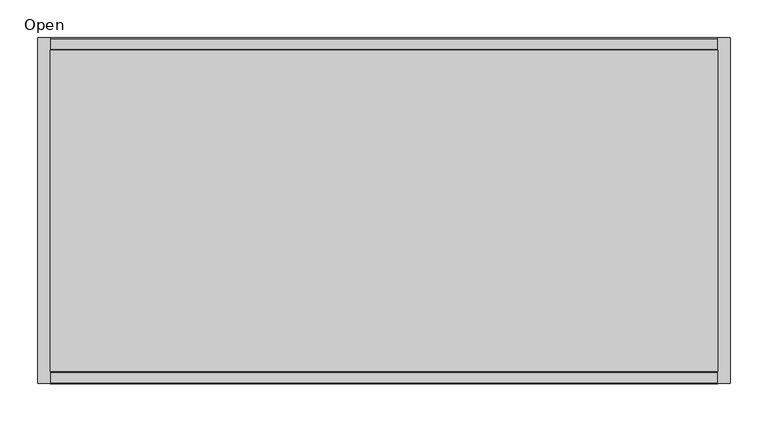
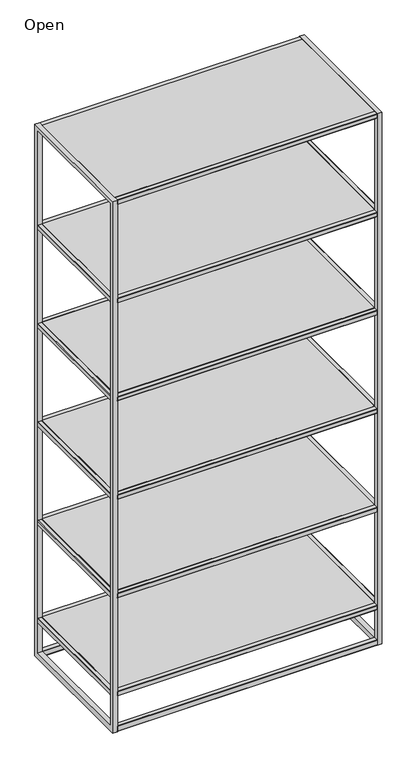
"""IFC4 building model written with IfcOpenShell, lengths in millimetres: furniture geometry, Open."""

from ifc_helpers import new_model, si_unit, frame, origin, place, context, project, spatial, polyline, outline, extrude, source, transform, mapped, element, save


def open_edddc9b3(model_context):
    return source(origin(), model_context, "Body", "SweptSolid", [
        extrude(outline(polyline([(-1.778, 1.3619377), (-3.1399377, 0.0), (-16.3996092, 0.0), (-18.034, 1.7657197), (-18.034, 17.9909329), (-16.3996092, 19.6253237), (-3.1399377, 19.6253237), (-1.778, 18.263386), (-1.778, 1.3619377)])), frame((16.1568429, 0.0, 0.0), z_axis=(1.0, 0.0, 0.0), x_axis=(0.0, 1.0, 0.0)), (0.0, 0.0, 1.0), 881.9871571),
        extrude(outline(polyline([(-458.978, 1.2971853), (-458.978, 18.3281384), (-457.6808147, 19.6253237), (-444.4211432, 19.6253237), (-442.7867523, 17.9909329), (-442.7867523, 1.7657197), (-444.4211432, 0.0), (-457.6808147, 0.0), (-458.978, 1.2971853)])), frame((16.1568429, 0.0, 0.0), z_axis=(1.0, 0.0, 0.0), x_axis=(0.0, 1.0, 0.0)), (0.0, 0.0, 1.0), 881.9871571),
        extrude(outline(polyline([(141.8726576, 0.0), (128.8872913, 0.0), (127.5025281, 1.3847632), (127.5025281, 14.7274123), (128.7608398, 16.1568429), (142.0391534, 16.1568429), (143.5462254, 14.4449861), (143.5462254, 1.6735678), (141.8726576, 0.0)])), frame((0.0, -442.7867523, 0.0), z_axis=(0.0, 1.0, 0.0), x_axis=(0.0, 0.0, 1.0)), (0.0, 0.0, 1.0), 424.7527523),
        extrude(outline(polyline([(141.7735005, 914.4), (143.5462254, 912.6272751), (143.5462254, 899.8558568), (142.0391534, 898.144), (128.7608398, 898.144), (127.5025281, 899.5734306), (127.5025281, 912.9160797), (128.9864484, 914.4), (141.7735005, 914.4)])), frame((0.0, -442.7867523, 0.0), z_axis=(0.0, 1.0, 0.0), x_axis=(0.0, 0.0, 1.0)), (0.0, 0.0, 1.0), 424.7527523),
        extrude(outline(polyline([(492.6521114, 0.0), (479.666745, 0.0), (478.282, 1.384745), (478.282, 14.7274329), (479.5402936, 16.1568429), (492.8186071, 16.1568429), (494.3256791, 14.4449861), (494.3256791, 1.6735678), (492.6521114, 0.0)])), frame((0.0, -442.7867523, 0.0), z_axis=(0.0, 1.0, 0.0), x_axis=(0.0, 0.0, 1.0)), (0.0, 0.0, 1.0), 424.7527523),
        extrude(outline(polyline([(492.5529543, 914.4), (494.3256791, 912.6272751), (494.3256791, 899.8558568), (492.8186071, 898.144), (479.5402936, 898.144), (478.282, 899.57341), (478.282, 912.9160979), (479.7659021, 914.4), (492.5529543, 914.4)])), frame((0.0, -442.7867523, 0.0), z_axis=(0.0, 1.0, 0.0), x_axis=(0.0, 0.0, 1.0)), (0.0, 0.0, 1.0), 424.7527523),
        extrude(outline(polyline([(845.8685945, 0.0), (832.8832282, 0.0), (831.3681496, 1.5150786), (831.3681496, 14.5793751), (832.7567768, 16.1568429), (846.0350903, 16.1568429), (847.5421623, 14.4449861), (847.5421623, 1.6735678), (845.8685945, 0.0)])), frame((0.0, -442.7867523, 0.0), z_axis=(0.0, 1.0, 0.0), x_axis=(0.0, 0.0, 1.0)), (0.0, 0.0, 1.0), 424.7527523),
        extrude(outline(polyline([(845.7694374, 914.4), (847.5421623, 912.6272751), (847.5421623, 899.8558568), (846.0350903, 898.144), (832.7567768, 898.144), (831.3681496, 899.7214678), (831.3681496, 912.7857643), (832.9823853, 914.4), (845.7694374, 914.4)])), frame((0.0, -442.7867523, 0.0), z_axis=(0.0, 1.0, 0.0), x_axis=(0.0, 0.0, 1.0)), (0.0, 0.0, 1.0), 424.7527523),
        extrude(outline(polyline([(1198.2626371, 0.0), (1185.2772708, 0.0), (1183.7621922, 1.5150786), (1183.7621922, 14.5793751), (1185.1508194, 16.1568429), (1198.4291329, 16.1568429), (1199.9362049, 14.4449861), (1199.9362049, 1.6735678), (1198.2626371, 0.0)])), frame((0.0, -442.7867523, 0.0), z_axis=(0.0, 1.0, 0.0), x_axis=(0.0, 0.0, 1.0)), (0.0, 0.0, 1.0), 424.7527523),
        extrude(outline(polyline([(1198.16348, 914.4), (1199.9362049, 912.6272751), (1199.9362049, 899.8558568), (1198.4291329, 898.144), (1185.1508194, 898.144), (1183.7621922, 899.7214678), (1183.7621922, 912.7857643), (1185.3764279, 914.4), (1198.16348, 914.4)])), frame((0.0, -442.7867523, 0.0), z_axis=(0.0, 1.0, 0.0), x_axis=(0.0, 0.0, 1.0)), (0.0, 0.0, 1.0), 424.7527523),
        extrude(outline(polyline([(1550.6040666, 0.0), (1537.6187003, 0.0), (1536.1036217, 1.5150786), (1536.1036217, 14.5793751), (1537.4922489, 16.1568429), (1550.7705624, 16.1568429), (1552.2776344, 14.4449861), (1552.2776344, 1.6735678), (1550.6040666, 0.0)])), frame((0.0, -442.7867523, 0.0), z_axis=(0.0, 1.0, 0.0), x_axis=(0.0, 0.0, 1.0)), (0.0, 0.0, 1.0), 424.7527523),
        extrude(outline(polyline([(1550.5049095, 914.4), (1552.2776344, 912.6272751), (1552.2776344, 899.8558568), (1550.7705624, 898.144), (1537.4922489, 898.144), (1536.1036217, 899.7214678), (1536.1036217, 912.7857643), (1537.7178574, 914.4), (1550.5049095, 914.4)])), frame((0.0, -442.7867523, 0.0), z_axis=(0.0, 1.0, 0.0), x_axis=(0.0, 0.0, 1.0)), (0.0, 0.0, 1.0), 424.7527523),
        extrude(outline(polyline([(898.144, -18.034), (898.144, -442.7867523), (16.1568429, -442.7867523), (16.1568429, -18.034), (898.144, -18.034)])), frame((0.0, 0.0, 1183.7621922), z_axis=(0.0, 0.0, 1.0), x_axis=(1.0, 0.0, 0.0)), (0.0, 0.0, 1.0), 16.1740128),
        extrude(outline(polyline([(898.144, -18.034), (898.144, -442.7867523), (16.1568429, -442.7867523), (16.1568429, -18.034), (898.144, -18.034)])), frame((0.0, 0.0, 1536.1036217), z_axis=(0.0, 0.0, 1.0), x_axis=(1.0, 0.0, 0.0)), (0.0, 0.0, 1.0), 16.1740128),
        extrude(outline(polyline([(898.144, -18.034), (898.144, -442.7867523), (16.1568429, -442.7867523), (16.1568429, -18.034), (898.144, -18.034)])), frame((0.0, 0.0, 846.6314683), z_axis=(0.0, 0.0, 1.0), x_axis=(1.0, 0.0, 0.0)), (0.0, 0.0, 1.0), 0.910694),
        extrude(outline(polyline([(898.144, -18.034), (898.144, -442.7867523), (16.1568429, -442.7867523), (16.1568429, -18.034), (898.144, -18.034)])), frame((0.0, 0.0, 478.282), z_axis=(0.0, 0.0, 1.0), x_axis=(1.0, 0.0, 0.0)), (0.0, 0.0, 1.0), 16.0436791),
        extrude(outline(polyline([(898.144, -18.034), (898.144, -442.7867523), (16.1568429, -442.7867523), (16.1568429, -18.034), (898.144, -18.034)])), frame((0.0, 0.0, 127.5025281), z_axis=(0.0, 0.0, 1.0), x_axis=(1.0, 0.0, 0.0)), (0.0, 0.0, 1.0), 16.0436973),
        extrude(outline(polyline([(898.144, -18.034), (898.144, -442.7867523), (16.1568429, -442.7867523), (16.1568429, -18.034), (898.144, -18.034)])), frame((0.0, 0.0, 1888.8259872), z_axis=(0.0, 0.0, 1.0), x_axis=(1.0, 0.0, 0.0)), (0.0, 0.0, 1.0), 16.1740128),
        extrude(outline(polyline([(-1.778, 0.0), (-458.978, 0.0), (-458.978, 1905.0), (-1.778, 1905.0), (-1.778, 0.0)]), holes=[polyline([(-442.7867523, 1888.8259872), (-442.7867523, 19.6253237), (-18.034, 19.6253237), (-18.034, 1888.8259872), (-442.7867523, 1888.8259872)])]), frame((898.144, 0.0, 0.0), z_axis=(1.0, 0.0, 0.0), x_axis=(0.0, 1.0, 0.0)), (0.0, 0.0, 1.0), 16.256),
        extrude(outline(polyline([(-1.778, 0.0), (-458.978, 0.0), (-458.978, 1905.0), (-1.778, 1905.0), (-1.778, 0.0)]), holes=[polyline([(-442.7867523, 1888.8259872), (-442.7867523, 19.6253237), (-18.034, 19.6253237), (-18.034, 1888.8259872), (-442.7867523, 1888.8259872)])]), frame((0.0, 0.0, 0.0), z_axis=(1.0, 0.0, 0.0), x_axis=(0.0, 1.0, 0.0)), (0.0, 0.0, 1.0), 16.1568429),
        extrude(outline(polyline([(-1.778, 1890.3182404), (-3.2702531, 1888.8259872), (-16.2789862, 1888.8259872), (-18.034, 1890.7220224), (-18.034, 1903.6369648), (-16.6709648, 1905.0), (-2.9737057, 1905.0), (-1.778, 1903.8042943), (-1.778, 1890.3182404)])), frame((16.1568429, 0.0, 0.0), z_axis=(1.0, 0.0, 0.0), x_axis=(0.0, 1.0, 0.0)), (0.0, 0.0, 1.0), 881.9871571),
        extrude(outline(polyline([(-458.978, 1890.3182404), (-458.978, 1903.8042943), (-457.7822943, 1905.0), (-444.2214367, 1905.0), (-442.7867523, 1903.7017172), (-442.7867523, 1890.652067), (-444.6134154, 1888.8259872), (-457.4857469, 1888.8259872), (-458.978, 1890.3182404)])), frame((16.1568429, 0.0, 0.0), z_axis=(1.0, 0.0, 0.0), x_axis=(0.0, 1.0, 0.0)), (0.0, 0.0, 1.0), 881.9871571),
        extrude(outline(polyline([(-1.778, 1537.5958748), (-3.2702531, 1536.1036217), (-16.2789862, 1536.1036217), (-18.034, 1537.9996569), (-18.034, 1550.9145992), (-16.6709648, 1552.2776344), (-2.9737057, 1552.2776344), (-1.778, 1551.0819287), (-1.778, 1537.5958748)])), frame((16.1568429, 0.0, 0.0), z_axis=(1.0, 0.0, 0.0), x_axis=(0.0, 1.0, 0.0)), (0.0, 0.0, 1.0), 881.9871571),
        extrude(outline(polyline([(-458.978, 1537.5958748), (-458.978, 1551.0819287), (-457.7822943, 1552.2776344), (-444.2214367, 1552.2776344), (-442.7867523, 1550.9793516), (-442.7867523, 1537.9297014), (-444.6134154, 1536.1036217), (-457.4857469, 1536.1036217), (-458.978, 1537.5958748)])), frame((16.1568429, 0.0, 0.0), z_axis=(1.0, 0.0, 0.0), x_axis=(0.0, 1.0, 0.0)), (0.0, 0.0, 1.0), 881.9871571),
        extrude(outline(polyline([(-1.778, 1185.2544453), (-3.2702531, 1183.7621922), (-16.2789862, 1183.7621922), (-18.034, 1185.6582273), (-18.034, 1198.5731697), (-16.6709648, 1199.9362049), (-2.9737057, 1199.9362049), (-1.778, 1198.7404992), (-1.778, 1185.2544453)])), frame((16.1568429, 0.0, 0.0), z_axis=(1.0, 0.0, 0.0), x_axis=(0.0, 1.0, 0.0)), (0.0, 0.0, 1.0), 881.9871571),
        extrude(outline(polyline([(-458.978, 1185.2544453), (-458.978, 1198.7404992), (-457.7822943, 1199.9362049), (-444.2214367, 1199.9362049), (-442.7867523, 1198.6379221), (-442.7867523, 1185.5882719), (-444.6134154, 1183.7621922), (-457.4857469, 1183.7621922), (-458.978, 1185.2544453)])), frame((16.1568429, 0.0, 0.0), z_axis=(1.0, 0.0, 0.0), x_axis=(0.0, 1.0, 0.0)), (0.0, 0.0, 1.0), 881.9871571),
        extrude(outline(polyline([(-1.778, 832.8604027), (-3.2702531, 831.3681496), (-16.2789862, 831.3681496), (-18.034, 833.2641847), (-18.034, 846.1791271), (-16.6709648, 847.5421623), (-2.9737057, 847.5421623), (-1.778, 846.3464566), (-1.778, 832.8604027)])), frame((16.1568429, 0.0, 0.0), z_axis=(1.0, 0.0, 0.0), x_axis=(0.0, 1.0, 0.0)), (0.0, 0.0, 1.0), 881.9871571),
        extrude(outline(polyline([(-458.978, 832.8604027), (-458.978, 846.3464566), (-457.7822943, 847.5421623), (-444.2214367, 847.5421623), (-442.7867523, 846.2438795), (-442.7867523, 833.1942293), (-444.6134154, 831.3681496), (-457.4857469, 831.3681496), (-458.978, 832.8604027)])), frame((16.1568429, 0.0, 0.0), z_axis=(1.0, 0.0, 0.0), x_axis=(0.0, 1.0, 0.0)), (0.0, 0.0, 1.0), 881.9871571),
        extrude(outline(polyline([(-1.778, 479.6439377), (-3.1399377, 478.282), (-16.3996092, 478.282), (-18.034, 480.0477197), (-18.034, 492.9626621), (-16.670983, 494.3256791), (-2.9736875, 494.3256791), (-1.778, 493.1299916), (-1.778, 479.6439377)])), frame((16.1568429, 0.0, 0.0), z_axis=(1.0, 0.0, 0.0), x_axis=(0.0, 1.0, 0.0)), (0.0, 0.0, 1.0), 881.9871571),
        extrude(outline(polyline([(-458.978, 479.6439377), (-458.978, 493.1299916), (-457.7823125, 494.3256791), (-444.2214186, 494.3256791), (-442.7867523, 493.0274145), (-442.7867523, 479.9777643), (-444.4927924, 478.282), (-457.6160623, 478.282), (-458.978, 479.6439377)])), frame((16.1568429, 0.0, 0.0), z_axis=(1.0, 0.0, 0.0), x_axis=(0.0, 1.0, 0.0)), (0.0, 0.0, 1.0), 881.9871571),
        extrude(outline(polyline([(-1.778, 128.8644658), (-3.1399377, 127.5025281), (-16.3996092, 127.5025281), (-18.034, 129.2682478), (-18.034, 142.1831902), (-16.6709648, 143.5462254), (-2.9737057, 143.5462254), (-1.778, 142.3505197), (-1.778, 128.8644658)])), frame((16.1568429, 0.0, 0.0), z_axis=(1.0, 0.0, 0.0), x_axis=(0.0, 1.0, 0.0)), (0.0, 0.0, 1.0), 881.9871571),
        extrude(outline(polyline([(-458.978, 128.8644658), (-458.978, 142.3505197), (-457.7822943, 143.5462254), (-444.2214367, 143.5462254), (-442.7867523, 142.2479425), (-442.7867523, 129.1982924), (-444.4927924, 127.5025281), (-457.6160623, 127.5025281), (-458.978, 128.8644658)])), frame((16.1568429, 0.0, 0.0), z_axis=(1.0, 0.0, 0.0), x_axis=(0.0, 1.0, 0.0)), (0.0, 0.0, 1.0), 881.9871571),
    ])


if __name__ == "__main__":
    model = new_model("IFC4")
    model_context = context("Model", 3, world=origin())
    ifc_project = project(units=[si_unit("LENGTHUNIT", "METRE", prefix="MILLI")], contexts=[model_context])
    site = spatial("IfcSite", under=ifc_project)
    building = spatial("IfcBuilding", under=site)
    placement = place(None, origin())
    ifc_open_shape = open_edddc9b3(model_context)
    element("IfcFurniture", 1, ObjectType="Open", at=placement, inside=building, context=model_context, shape_type="MappedRepresentation", body=[
        mapped(ifc_open_shape, transform((0.0, 0.0, 0.0), x_axis=(1.0, 0.0, 0.0), y_axis=(0.0, 1.0, 0.0), z_axis=(0.0, 0.0, 1.0))),
    ])
    save(model, "model.ifc")
